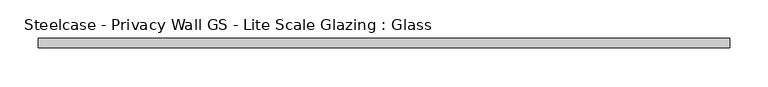
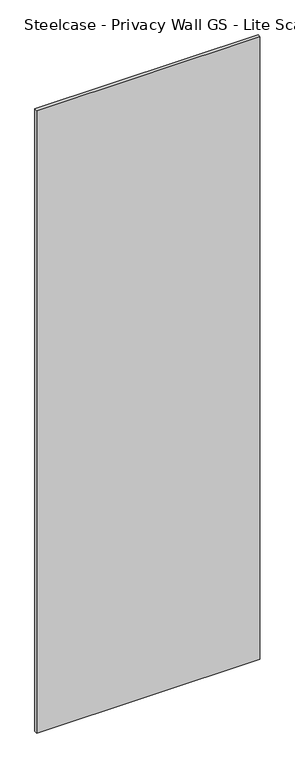
"""IFC4 building model written with IfcOpenShell, lengths in millimetres: plate geometry, Steelcase - Privacy Wall GS - Lite Scale Glazing : Glass."""

import ifcopenshell
import ifcopenshell.guid

model = None  # the IFC model being written
_history = None  # IfcOwnerHistory: only IFC2X3 demands one
_inside = {}  # id of a spatial element -> (the spatial element, [elements in it])
_under = {}  # id of a project, library or spatial element -> (it, [spatial elements below it])
_declared = {}  # id of a project -> (the project, [libraries it declares])
_typed = {}  # id of a type object -> (the type object, [elements of that type])
_made_of = {}  # id of a material, layer set ... -> (it, [elements and type objects made of it])


def new_model(schema):
    """Start an empty IFC model of exactly this schema.

    Asked for "IFC4X3", IfcOpenShell would pick the latest addendum, in which some entities
    have other attributes; the version numbers below select the first issue.
    IFC2X3 requires an IfcOwnerHistory on every rooted entity: one is made here for all.
    """
    global model, _history
    if schema == "IFC4X3":
        model = ifcopenshell.file(schema_version=(4, 3, 0, 0))
    else:
        model = ifcopenshell.file(schema=schema)
    _inside.clear()
    _under.clear()
    _declared.clear()
    _typed.clear()
    _made_of.clear()
    _history = None
    if model.schema == "IFC2X3":
        org = make("IfcOrganization", Name="unknown")
        user = make(
            "IfcPersonAndOrganization",
            ThePerson=make("IfcPerson", FamilyName="unknown"),
            TheOrganization=org,
        )
        app = make(
            "IfcApplication",
            ApplicationDeveloper=org,
            Version="unknown",
            ApplicationFullName="unknown",
            ApplicationIdentifier="unknown",
        )
        _history = make(
            "IfcOwnerHistory",
            OwningUser=user,
            OwningApplication=app,
            ChangeAction="ADDED",
            CreationDate=0,
        )
    return model


def make(cls, **values):
    """One entity of the class cls with the attributes given. An attribute that is None is left unset."""
    return model.create_entity(
        cls, **{name: value for name, value in values.items() if value is not None}
    )


def rooted(cls, **values):
    """An entity with a GlobalId (a new one), such as an element, a storey or a relation."""
    return make(cls, GlobalId=ifcopenshell.guid.new(), OwnerHistory=_history, **values)


def si_unit(unit_type, name, prefix=None):
    """IfcSIUnit, for example si_unit("LENGTHUNIT", "METRE", prefix="MILLI")."""
    return make("IfcSIUnit", UnitType=unit_type, Prefix=prefix, Name=name)


def assignment(units):
    """IfcUnitAssignment: the units of a project."""
    return None if units is None else make("IfcUnitAssignment", Units=units)


def point(xyz):
    """IfcCartesianPoint."""
    return None if xyz is None else make("IfcCartesianPoint", Coordinates=xyz)


def direction(xyz):
    """IfcDirection."""
    return None if xyz is None else make("IfcDirection", DirectionRatios=xyz)


def frame(location, z_axis=None, x_axis=None):
    """IfcAxis2Placement3D, a coordinate frame: its origin and axes. An axis left out is left unset."""
    return make(
        "IfcAxis2Placement3D",
        Location=point(location),
        Axis=direction(z_axis),
        RefDirection=direction(x_axis),
    )


def origin():
    """The frame at (0, 0, 0) with its axes left unset."""
    return frame((0.0, 0.0, 0.0))


def origin_with_axes():
    """The frame at (0, 0, 0) with the z axis (0, 0, 1) and the x axis (1, 0, 0) written out."""
    return frame((0.0, 0.0, 0.0), z_axis=(0.0, 0.0, 1.0), x_axis=(1.0, 0.0, 0.0))


def place(relative_to, where):
    """IfcLocalPlacement: puts the frame where relative to a parent placement (None: the world)."""
    return make(
        "IfcLocalPlacement", PlacementRelTo=relative_to, RelativePlacement=where
    )


def context(
    kind, dimensions, precision=None, world=None, true_north=None, identifier=None
):
    """IfcGeometricRepresentationContext, for example the 3D "Model" context."""
    return make(
        "IfcGeometricRepresentationContext",
        ContextIdentifier=identifier,
        ContextType=kind,
        CoordinateSpaceDimension=dimensions,
        Precision=precision,
        WorldCoordinateSystem=world,
        TrueNorth=true_north,
    )


def project(units=None, contexts=None):
    """IfcProject with its units and contexts."""
    return rooted(
        "IfcProject",
        Name="project",
        RepresentationContexts=contexts,
        UnitsInContext=assignment(units),
    )


def spatial(cls, under=None, at=None, **own):
    """A site, building, storey or space (cls), placed at a placement, below another one or the project."""
    s = rooted(cls, ObjectPlacement=at, **own)
    if under is not None:
        _under.setdefault(under.id(), (under, []))[1].append(s)
    return s


def polyline(points):
    """IfcPolyline through the points."""
    return make("IfcPolyline", Points=[point(p) for p in points])


def outline(outer, holes=None, kind="AREA"):
    """IfcArbitraryClosedProfileDef: a profile drawn as a closed curve; with holes, ...WithVoids."""
    if holes is None:
        return make("IfcArbitraryClosedProfileDef", ProfileType=kind, OuterCurve=outer)
    return make(
        "IfcArbitraryProfileDefWithVoids",
        ProfileType=kind,
        OuterCurve=outer,
        InnerCurves=holes,
    )


def extrude(swept, where, along, depth):
    """IfcExtrudedAreaSolid: the profile swept, set in the frame where, extruded along a direction by depth."""
    return make(
        "IfcExtrudedAreaSolid",
        SweptArea=swept,
        Position=where,
        ExtrudedDirection=direction(along),
        Depth=depth,
    )


def shape(context_of_items, identifier, shape_type, items):
    """IfcShapeRepresentation: the items that make up one representation, for example the "Body"."""
    return make(
        "IfcShapeRepresentation",
        ContextOfItems=context_of_items,
        RepresentationIdentifier=identifier,
        RepresentationType=shape_type,
        Items=items,
    )


def source(mapping_origin, context_of_items, identifier, shape_type, items):
    """IfcRepresentationMap: a shape defined once, which mapped items show again and again."""
    return make(
        "IfcRepresentationMap",
        MappingOrigin=mapping_origin,
        MappedRepresentation=shape(context_of_items, identifier, shape_type, items),
    )


def transform(
    local_origin,
    x_axis=None,
    y_axis=None,
    z_axis=None,
    scale=None,
    scale2=None,
    scale3=None,
    uniform=True,
):
    """IfcCartesianTransformationOperator3D, or its non-uniform kind. x_axis, y_axis, z_axis: its Axis1, 2, 3."""
    if uniform:
        return make(
            "IfcCartesianTransformationOperator3D",
            Axis1=direction(x_axis),
            Axis2=direction(y_axis),
            LocalOrigin=point(local_origin),
            Scale=scale,
            Axis3=direction(z_axis),
        )
    return make(
        "IfcCartesianTransformationOperator3DnonUniform",
        Axis1=direction(x_axis),
        Axis2=direction(y_axis),
        LocalOrigin=point(local_origin),
        Scale=scale,
        Axis3=direction(z_axis),
        Scale2=scale2,
        Scale3=scale3,
    )


def mapped(mapping_source, mapping_target):
    """IfcMappedItem: shows the shape of a source again, moved by a transform."""
    return make(
        "IfcMappedItem", MappingSource=mapping_source, MappingTarget=mapping_target
    )


def made_of(thing, what):
    """Note that an element or type object is made of a material, layer set ...; save() writes the relation."""
    if what is not None:
        _made_of.setdefault(what.id(), (what, []))[1].append(thing)
    return thing


def element(
    cls,
    number,
    at=None,
    inside=None,
    cuts=None,
    type_object=None,
    material=None,
    context=None,
    identifier="Body",
    shape_type=None,
    held_by="IfcProductDefinitionShape",
    body=None,
    shapes=None,
    **own,
):
    """One element of the class cls, such as IfcWall. Its Tag is "e" and its number.

    at: its placement. inside: the storey or other place that contains it. cuts: it is an
    opening in that element (IfcRelVoidsElement). A single representation is given by context,
    identifier, shape_type and body (its items); several are given by shapes. held_by: the class
    of the entity that holds the representations. save() writes the other relations.
    """
    e = rooted(cls, Tag="e%d" % number, ObjectPlacement=at, **own)
    if body is not None:
        shapes = [shape(context, identifier, shape_type, body)]
    if shapes is not None:
        e.Representation = make(held_by, Representations=shapes)
    if inside is not None:
        _inside.setdefault(inside.id(), (inside, []))[1].append(e)
    if cuts is not None:
        rooted(
            "IfcRelVoidsElement", RelatingBuildingElement=cuts, RelatedOpeningElement=e
        )
    if type_object is not None:
        _typed.setdefault(type_object.id(), (type_object, []))[1].append(e)
    return made_of(e, material)


def aggregate(whole, parts):
    """IfcRelAggregates: a whole, such as a stair, and the parts it consists of."""
    return rooted("IfcRelAggregates", RelatingObject=whole, RelatedObjects=parts)


def save(model, path):
    """Write the relations noted so far, then the file.

    IfcRelAggregates (storeys below a building ...), IfcRelContainedInSpatialStructure (elements
    in a storey), IfcRelDefinesByType, IfcRelAssociatesMaterial and IfcRelDeclares: one each for
    every whole, place, type object, material and project.
    """
    for whole, parts in _under.values():
        aggregate(whole, parts)
    for where, things in _inside.values():
        rooted(
            "IfcRelContainedInSpatialStructure",
            RelatedElements=things,
            RelatingStructure=where,
        )
    for kind, things in _typed.values():
        rooted("IfcRelDefinesByType", RelatedObjects=things, RelatingType=kind)
    for what, things in _made_of.values():
        rooted("IfcRelAssociatesMaterial", RelatedObjects=things, RelatingMaterial=what)
    for by, libraries in _declared.values():
        rooted("IfcRelDeclares", RelatingContext=by, RelatedDefinitions=libraries)
    model.write(path)


def steelcase_privacy_wall_gs_lite_scale_glazing_glass_44895bec(model_context):
    return source(origin(), model_context, "Body", "SweptSolid", [
        extrude(outline(polyline([(-451.993, -6.349956), (-451.993, 6.3502015), (451.993, 6.3502015), (451.993, -6.349956), (-451.993, -6.349956)])), origin_with_axes(), (0.0, 0.0, 1.0), 2665.984),
    ])


if __name__ == "__main__":
    model = new_model("IFC4")
    model_context = context("Model", 3, world=origin())
    ifc_project = project(units=[si_unit("LENGTHUNIT", "METRE", prefix="MILLI")], contexts=[model_context])
    site = spatial("IfcSite", under=ifc_project)
    building = spatial("IfcBuilding", under=site)
    placement = place(None, origin())
    steelcase_privacy_wall_gs_lite_scale_glazing_glass_shape = steelcase_privacy_wall_gs_lite_scale_glazing_glass_44895bec(model_context)
    element("IfcPlate", 1, ObjectType="Steelcase - Privacy Wall GS - Lite Scale Glazing : Glass", at=placement, inside=building, context=model_context, shape_type="MappedRepresentation", body=[
        mapped(steelcase_privacy_wall_gs_lite_scale_glazing_glass_shape, transform((0.0, 0.0, 0.0), x_axis=(1.0, 0.0, 0.0), y_axis=(0.0, 1.0, 0.0), z_axis=(0.0, 0.0, 1.0))),
    ])
    save(model, "model.ifc")
